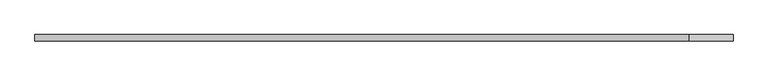
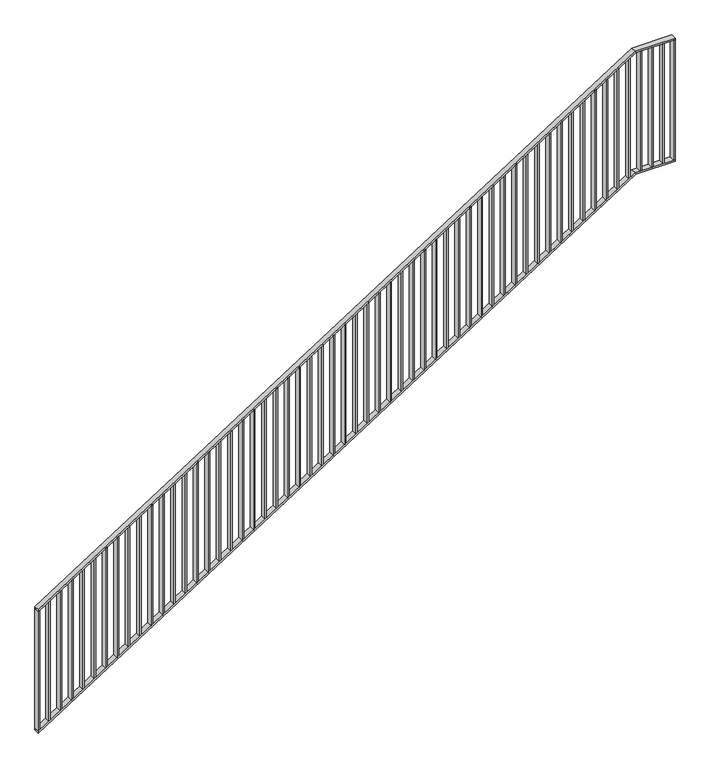
"""IFC4 building model written with IfcOpenShell, lengths in millimetres: railing geometry."""

from ifc_helpers import new_model, si_unit, frame, origin, place, context, project, spatial, polyline, outline, extrude, faceted_brep, source, transform, mapped, element, save


def railing_9af7ceb9(model_context):
    return source(origin(), model_context, "Body", "SolidModel", [
        faceted_brep([(30020.0, 1014.6, 1178.125), (30020.0, 1014.6, 1166.2576574), (30020.0, 974.6, 1166.2576574), (30020.0, 974.6, 1178.125), (34201.25, 1014.6, 3850.0), (34204.1722273, 1014.6, 3840.0), (34204.1722273, 974.6, 3840.0), (34201.25, 974.6, 3850.0), (34480.0, 1014.6, 3850.0), (34480.0, 974.6, 3850.0), (34480.0, 974.6, 3840.0), (34480.0, 1014.6, 3840.0)], [[[0, 1, 2, 3]], [[1, 0, 4, 5]], [[2, 1, 5, 6]], [[3, 2, 6, 7]], [[0, 3, 7, 4]], [[8, 9, 10, 11]], [[5, 4, 8, 11]], [[6, 5, 11, 10]], [[7, 6, 10, 9]], [[4, 7, 9, 8]]]),
        faceted_brep([(30020.0, 1014.6, 278.125), (30020.0, 1014.6, 266.2576574), (30020.0, 974.6, 266.2576574), (30020.0, 974.6, 278.125), (34201.25, 1014.6, 2950.0), (34204.1722273, 1014.6, 2940.0), (34204.1722273, 974.6, 2940.0), (34201.25, 974.6, 2950.0), (34480.0, 1014.6, 2950.0), (34480.0, 974.6, 2950.0), (34480.0, 974.6, 2940.0), (34480.0, 1014.6, 2940.0)], [[[0, 1, 2, 3]], [[1, 0, 4, 5]], [[2, 1, 5, 6]], [[3, 2, 6, 7]], [[0, 3, 7, 4]], [[8, 9, 10, 11]], [[5, 4, 8, 11]], [[6, 5, 11, 10]], [[7, 6, 10, 9]], [[4, 7, 9, 8]]]),
        extrude(outline(polyline([(34395.3571429, 1014.6), (34405.3571429, 1014.6), (34405.3571429, 974.6), (34395.3571429, 974.6), (34395.3571429, 1014.6)])), frame((0.0, 0.0, 2950.0), z_axis=(0.0, 0.0, 1.0), x_axis=(1.0, 0.0, 0.0)), (0.0, 0.0, 1.0), 890.0),
        extrude(outline(polyline([(34315.7142857, 1014.6), (34325.7142857, 1014.6), (34325.7142857, 974.6), (34315.7142857, 974.6), (34315.7142857, 1014.6)])), frame((0.0, 0.0, 2950.0), z_axis=(0.0, 0.0, 1.0), x_axis=(1.0, 0.0, 0.0)), (0.0, 0.0, 1.0), 890.0),
        extrude(outline(polyline([(34236.0714286, 1014.6), (34246.0714286, 1014.6), (34246.0714286, 974.6), (34236.0714286, 974.6), (34236.0714286, 1014.6)])), frame((0.0, 0.0, 2950.0), z_axis=(0.0, 0.0, 1.0), x_axis=(1.0, 0.0, 0.0)), (0.0, 0.0, 1.0), 890.0),
        extrude(outline(polyline([(2921.3585042, 34156.4285714), (2927.7486387, 34166.4285714), (3817.7486387, 34166.4285714), (3811.3585042, 34156.4285714), (2921.3585042, 34156.4285714)])), frame((0.0, 974.6, 0.0), z_axis=(0.0, 1.0, 0.0), x_axis=(0.0, 0.0, 1.0)), (0.0, 0.0, 1.0), 40.0),
        extrude(outline(polyline([(2870.465647, 34076.7857143), (2876.8557816, 34086.7857143), (3766.8557816, 34086.7857143), (3760.465647, 34076.7857143), (2870.465647, 34076.7857143)])), frame((0.0, 974.6, 0.0), z_axis=(0.0, 1.0, 0.0), x_axis=(0.0, 0.0, 1.0)), (0.0, 0.0, 1.0), 40.0),
        extrude(outline(polyline([(2819.5727899, 33997.1428571), (2825.9629244, 34007.1428571), (3715.9629244, 34007.1428571), (3709.5727899, 33997.1428571), (2819.5727899, 33997.1428571)])), frame((0.0, 974.6, 0.0), z_axis=(0.0, 1.0, 0.0), x_axis=(0.0, 0.0, 1.0)), (0.0, 0.0, 1.0), 40.0),
        extrude(outline(polyline([(2768.6799327, 33917.5), (2775.0700673, 33927.5), (3665.0700673, 33927.5), (3658.6799327, 33917.5), (2768.6799327, 33917.5)])), frame((0.0, 974.6, 0.0), z_axis=(0.0, 1.0, 0.0), x_axis=(0.0, 0.0, 1.0)), (0.0, 0.0, 1.0), 40.0),
        extrude(outline(polyline([(2717.7870756, 33837.8571429), (2724.1772101, 33847.8571429), (3614.1772101, 33847.8571429), (3607.7870756, 33837.8571429), (2717.7870756, 33837.8571429)])), frame((0.0, 974.6, 0.0), z_axis=(0.0, 1.0, 0.0), x_axis=(0.0, 0.0, 1.0)), (0.0, 0.0, 1.0), 40.0),
        extrude(outline(polyline([(2666.8942184, 33758.2142857), (2673.284353, 33768.2142857), (3563.284353, 33768.2142857), (3556.8942184, 33758.2142857), (2666.8942184, 33758.2142857)])), frame((0.0, 974.6, 0.0), z_axis=(0.0, 1.0, 0.0), x_axis=(0.0, 0.0, 1.0)), (0.0, 0.0, 1.0), 40.0),
        extrude(outline(polyline([(2616.0013613, 33678.5714286), (2622.3914958, 33688.5714286), (3512.3914958, 33688.5714286), (3506.0013613, 33678.5714286), (2616.0013613, 33678.5714286)])), frame((0.0, 974.6, 0.0), z_axis=(0.0, 1.0, 0.0), x_axis=(0.0, 0.0, 1.0)), (0.0, 0.0, 1.0), 40.0),
        extrude(outline(polyline([(2565.1085042, 33598.9285714), (2571.4986387, 33608.9285714), (3461.4986387, 33608.9285714), (3455.1085042, 33598.9285714), (2565.1085042, 33598.9285714)])), frame((0.0, 974.6, 0.0), z_axis=(0.0, 1.0, 0.0), x_axis=(0.0, 0.0, 1.0)), (0.0, 0.0, 1.0), 40.0),
        extrude(outline(polyline([(2514.215647, 33519.2857143), (2520.6057816, 33529.2857143), (3410.6057816, 33529.2857143), (3404.215647, 33519.2857143), (2514.215647, 33519.2857143)])), frame((0.0, 974.6, 0.0), z_axis=(0.0, 1.0, 0.0), x_axis=(0.0, 0.0, 1.0)), (0.0, 0.0, 1.0), 40.0),
        extrude(outline(polyline([(2463.3227899, 33439.6428571), (2469.7129244, 33449.6428571), (3359.7129244, 33449.6428571), (3353.3227899, 33439.6428571), (2463.3227899, 33439.6428571)])), frame((0.0, 974.6, 0.0), z_axis=(0.0, 1.0, 0.0), x_axis=(0.0, 0.0, 1.0)), (0.0, 0.0, 1.0), 40.0),
        extrude(outline(polyline([(2412.4299327, 33360.0), (2418.8200673, 33370.0), (3308.8200673, 33370.0), (3302.4299327, 33360.0), (2412.4299327, 33360.0)])), frame((0.0, 974.6, 0.0), z_axis=(0.0, 1.0, 0.0), x_axis=(0.0, 0.0, 1.0)), (0.0, 0.0, 1.0), 40.0),
        extrude(outline(polyline([(2361.5370756, 33280.3571429), (2367.9272101, 33290.3571429), (3257.9272101, 33290.3571429), (3251.5370756, 33280.3571429), (2361.5370756, 33280.3571429)])), frame((0.0, 974.6, 0.0), z_axis=(0.0, 1.0, 0.0), x_axis=(0.0, 0.0, 1.0)), (0.0, 0.0, 1.0), 40.0),
        extrude(outline(polyline([(2310.6442184, 33200.7142857), (2317.034353, 33210.7142857), (3207.034353, 33210.7142857), (3200.6442184, 33200.7142857), (2310.6442184, 33200.7142857)])), frame((0.0, 974.6, 0.0), z_axis=(0.0, 1.0, 0.0), x_axis=(0.0, 0.0, 1.0)), (0.0, 0.0, 1.0), 40.0),
        extrude(outline(polyline([(2259.7513613, 33121.0714286), (2266.1414958, 33131.0714286), (3156.1414958, 33131.0714286), (3149.7513613, 33121.0714286), (2259.7513613, 33121.0714286)])), frame((0.0, 974.6, 0.0), z_axis=(0.0, 1.0, 0.0), x_axis=(0.0, 0.0, 1.0)), (0.0, 0.0, 1.0), 40.0),
        extrude(outline(polyline([(2208.8585042, 33041.4285714), (2215.2486387, 33051.4285714), (3105.2486387, 33051.4285714), (3098.8585042, 33041.4285714), (2208.8585042, 33041.4285714)])), frame((0.0, 974.6, 0.0), z_axis=(0.0, 1.0, 0.0), x_axis=(0.0, 0.0, 1.0)), (0.0, 0.0, 1.0), 40.0),
        extrude(outline(polyline([(2157.965647, 32961.7857143), (2164.3557816, 32971.7857143), (3054.3557816, 32971.7857143), (3047.965647, 32961.7857143), (2157.965647, 32961.7857143)])), frame((0.0, 974.6, 0.0), z_axis=(0.0, 1.0, 0.0), x_axis=(0.0, 0.0, 1.0)), (0.0, 0.0, 1.0), 40.0),
        extrude(outline(polyline([(2107.0727899, 32882.1428571), (2113.4629244, 32892.1428571), (3003.4629244, 32892.1428571), (2997.0727899, 32882.1428571), (2107.0727899, 32882.1428571)])), frame((0.0, 974.6, 0.0), z_axis=(0.0, 1.0, 0.0), x_axis=(0.0, 0.0, 1.0)), (0.0, 0.0, 1.0), 40.0),
        extrude(outline(polyline([(2056.1799327, 32802.5), (2062.5700673, 32812.5), (2952.5700673, 32812.5), (2946.1799327, 32802.5), (2056.1799327, 32802.5)])), frame((0.0, 974.6, 0.0), z_axis=(0.0, 1.0, 0.0), x_axis=(0.0, 0.0, 1.0)), (0.0, 0.0, 1.0), 40.0),
        extrude(outline(polyline([(2005.2870756, 32722.8571429), (2011.6772101, 32732.8571429), (2901.6772101, 32732.8571429), (2895.2870756, 32722.8571429), (2005.2870756, 32722.8571429)])), frame((0.0, 974.6, 0.0), z_axis=(0.0, 1.0, 0.0), x_axis=(0.0, 0.0, 1.0)), (0.0, 0.0, 1.0), 40.0),
        extrude(outline(polyline([(1954.3942184, 32643.2142857), (1960.784353, 32653.2142857), (2850.784353, 32653.2142857), (2844.3942184, 32643.2142857), (1954.3942184, 32643.2142857)])), frame((0.0, 974.6, 0.0), z_axis=(0.0, 1.0, 0.0), x_axis=(0.0, 0.0, 1.0)), (0.0, 0.0, 1.0), 40.0),
        extrude(outline(polyline([(1903.5013613, 32563.5714286), (1909.8914958, 32573.5714286), (2799.8914958, 32573.5714286), (2793.5013613, 32563.5714286), (1903.5013613, 32563.5714286)])), frame((0.0, 974.6, 0.0), z_axis=(0.0, 1.0, 0.0), x_axis=(0.0, 0.0, 1.0)), (0.0, 0.0, 1.0), 40.0),
        extrude(outline(polyline([(1852.6085042, 32483.9285714), (1858.9986387, 32493.9285714), (2748.9986387, 32493.9285714), (2742.6085042, 32483.9285714), (1852.6085042, 32483.9285714)])), frame((0.0, 974.6, 0.0), z_axis=(0.0, 1.0, 0.0), x_axis=(0.0, 0.0, 1.0)), (0.0, 0.0, 1.0), 40.0),
        extrude(outline(polyline([(1801.715647, 32404.2857143), (1808.1057816, 32414.2857143), (2698.1057816, 32414.2857143), (2691.715647, 32404.2857143), (1801.715647, 32404.2857143)])), frame((0.0, 974.6, 0.0), z_axis=(0.0, 1.0, 0.0), x_axis=(0.0, 0.0, 1.0)), (0.0, 0.0, 1.0), 40.0),
        extrude(outline(polyline([(1750.8227899, 32324.6428571), (1757.2129244, 32334.6428571), (2647.2129244, 32334.6428571), (2640.8227899, 32324.6428571), (1750.8227899, 32324.6428571)])), frame((0.0, 974.6, 0.0), z_axis=(0.0, 1.0, 0.0), x_axis=(0.0, 0.0, 1.0)), (0.0, 0.0, 1.0), 40.0),
        extrude(outline(polyline([(1699.9299327, 32245.0), (1706.3200673, 32255.0), (2596.3200673, 32255.0), (2589.9299327, 32245.0), (1699.9299327, 32245.0)])), frame((0.0, 974.6, 0.0), z_axis=(0.0, 1.0, 0.0), x_axis=(0.0, 0.0, 1.0)), (0.0, 0.0, 1.0), 40.0),
        extrude(outline(polyline([(1649.0370756, 32165.3571429), (1655.4272101, 32175.3571429), (2545.4272101, 32175.3571429), (2539.0370756, 32165.3571429), (1649.0370756, 32165.3571429)])), frame((0.0, 974.6, 0.0), z_axis=(0.0, 1.0, 0.0), x_axis=(0.0, 0.0, 1.0)), (0.0, 0.0, 1.0), 40.0),
        extrude(outline(polyline([(1598.1442184, 32085.7142857), (1604.534353, 32095.7142857), (2494.534353, 32095.7142857), (2488.1442184, 32085.7142857), (1598.1442184, 32085.7142857)])), frame((0.0, 974.6, 0.0), z_axis=(0.0, 1.0, 0.0), x_axis=(0.0, 0.0, 1.0)), (0.0, 0.0, 1.0), 40.0),
        extrude(outline(polyline([(1547.2513613, 32006.0714286), (1553.6414958, 32016.0714286), (2443.6414958, 32016.0714286), (2437.2513613, 32006.0714286), (1547.2513613, 32006.0714286)])), frame((0.0, 974.6, 0.0), z_axis=(0.0, 1.0, 0.0), x_axis=(0.0, 0.0, 1.0)), (0.0, 0.0, 1.0), 40.0),
        extrude(outline(polyline([(1496.3585042, 31926.4285714), (1502.7486387, 31936.4285714), (2392.7486387, 31936.4285714), (2386.3585042, 31926.4285714), (1496.3585042, 31926.4285714)])), frame((0.0, 974.6, 0.0), z_axis=(0.0, 1.0, 0.0), x_axis=(0.0, 0.0, 1.0)), (0.0, 0.0, 1.0), 40.0),
        extrude(outline(polyline([(1445.465647, 31846.7857143), (1451.8557816, 31856.7857143), (2341.8557816, 31856.7857143), (2335.465647, 31846.7857143), (1445.465647, 31846.7857143)])), frame((0.0, 974.6, 0.0), z_axis=(0.0, 1.0, 0.0), x_axis=(0.0, 0.0, 1.0)), (0.0, 0.0, 1.0), 40.0),
        extrude(outline(polyline([(1394.5727899, 31767.1428571), (1400.9629244, 31777.1428571), (2290.9629244, 31777.1428571), (2284.5727899, 31767.1428571), (1394.5727899, 31767.1428571)])), frame((0.0, 974.6, 0.0), z_axis=(0.0, 1.0, 0.0), x_axis=(0.0, 0.0, 1.0)), (0.0, 0.0, 1.0), 40.0),
        extrude(outline(polyline([(1343.6799327, 31687.5), (1350.0700673, 31697.5), (2240.0700673, 31697.5), (2233.6799327, 31687.5), (1343.6799327, 31687.5)])), frame((0.0, 974.6, 0.0), z_axis=(0.0, 1.0, 0.0), x_axis=(0.0, 0.0, 1.0)), (0.0, 0.0, 1.0), 40.0),
        extrude(outline(polyline([(1292.7870756, 31607.8571429), (1299.1772101, 31617.8571429), (2189.1772101, 31617.8571429), (2182.7870756, 31607.8571429), (1292.7870756, 31607.8571429)])), frame((0.0, 974.6, 0.0), z_axis=(0.0, 1.0, 0.0), x_axis=(0.0, 0.0, 1.0)), (0.0, 0.0, 1.0), 40.0),
        extrude(outline(polyline([(1241.8942184, 31528.2142857), (1248.284353, 31538.2142857), (2138.284353, 31538.2142857), (2131.8942184, 31528.2142857), (1241.8942184, 31528.2142857)])), frame((0.0, 974.6, 0.0), z_axis=(0.0, 1.0, 0.0), x_axis=(0.0, 0.0, 1.0)), (0.0, 0.0, 1.0), 40.0),
        extrude(outline(polyline([(1191.0013613, 31448.5714286), (1197.3914958, 31458.5714286), (2087.3914958, 31458.5714286), (2081.0013613, 31448.5714286), (1191.0013613, 31448.5714286)])), frame((0.0, 974.6, 0.0), z_axis=(0.0, 1.0, 0.0), x_axis=(0.0, 0.0, 1.0)), (0.0, 0.0, 1.0), 40.0),
        extrude(outline(polyline([(1140.1085042, 31368.9285714), (1146.4986387, 31378.9285714), (2036.4986387, 31378.9285714), (2030.1085042, 31368.9285714), (1140.1085042, 31368.9285714)])), frame((0.0, 974.6, 0.0), z_axis=(0.0, 1.0, 0.0), x_axis=(0.0, 0.0, 1.0)), (0.0, 0.0, 1.0), 40.0),
        extrude(outline(polyline([(1089.215647, 31289.2857143), (1095.6057816, 31299.2857143), (1985.6057816, 31299.2857143), (1979.215647, 31289.2857143), (1089.215647, 31289.2857143)])), frame((0.0, 974.6, 0.0), z_axis=(0.0, 1.0, 0.0), x_axis=(0.0, 0.0, 1.0)), (0.0, 0.0, 1.0), 40.0),
        extrude(outline(polyline([(1038.3227899, 31209.6428571), (1044.7129244, 31219.6428571), (1934.7129244, 31219.6428571), (1928.3227899, 31209.6428571), (1038.3227899, 31209.6428571)])), frame((0.0, 974.6, 0.0), z_axis=(0.0, 1.0, 0.0), x_axis=(0.0, 0.0, 1.0)), (0.0, 0.0, 1.0), 40.0),
        extrude(outline(polyline([(987.4299327, 31130.0), (993.8200673, 31140.0), (1883.8200673, 31140.0), (1877.4299327, 31130.0), (987.4299327, 31130.0)])), frame((0.0, 974.6, 0.0), z_axis=(0.0, 1.0, 0.0), x_axis=(0.0, 0.0, 1.0)), (0.0, 0.0, 1.0), 40.0),
        extrude(outline(polyline([(936.5370756, 31050.3571429), (942.9272101, 31060.3571429), (1832.9272101, 31060.3571429), (1826.5370756, 31050.3571429), (936.5370756, 31050.3571429)])), frame((0.0, 974.6, 0.0), z_axis=(0.0, 1.0, 0.0), x_axis=(0.0, 0.0, 1.0)), (0.0, 0.0, 1.0), 40.0),
        extrude(outline(polyline([(885.6442184, 30970.7142857), (892.034353, 30980.7142857), (1782.034353, 30980.7142857), (1775.6442184, 30970.7142857), (885.6442184, 30970.7142857)])), frame((0.0, 974.6, 0.0), z_axis=(0.0, 1.0, 0.0), x_axis=(0.0, 0.0, 1.0)), (0.0, 0.0, 1.0), 40.0),
        extrude(outline(polyline([(834.7513613, 30891.0714286), (841.1414958, 30901.0714286), (1731.1414958, 30901.0714286), (1724.7513613, 30891.0714286), (834.7513613, 30891.0714286)])), frame((0.0, 974.6, 0.0), z_axis=(0.0, 1.0, 0.0), x_axis=(0.0, 0.0, 1.0)), (0.0, 0.0, 1.0), 40.0),
        extrude(outline(polyline([(783.8585042, 30811.4285714), (790.2486387, 30821.4285714), (1680.2486387, 30821.4285714), (1673.8585042, 30811.4285714), (783.8585042, 30811.4285714)])), frame((0.0, 974.6, 0.0), z_axis=(0.0, 1.0, 0.0), x_axis=(0.0, 0.0, 1.0)), (0.0, 0.0, 1.0), 40.0),
        extrude(outline(polyline([(732.965647, 30731.7857143), (739.3557816, 30741.7857143), (1629.3557816, 30741.7857143), (1622.965647, 30731.7857143), (732.965647, 30731.7857143)])), frame((0.0, 974.6, 0.0), z_axis=(0.0, 1.0, 0.0), x_axis=(0.0, 0.0, 1.0)), (0.0, 0.0, 1.0), 40.0),
        extrude(outline(polyline([(682.0727899, 30652.1428571), (688.4629244, 30662.1428571), (1578.4629244, 30662.1428571), (1572.0727899, 30652.1428571), (682.0727899, 30652.1428571)])), frame((0.0, 974.6, 0.0), z_axis=(0.0, 1.0, 0.0), x_axis=(0.0, 0.0, 1.0)), (0.0, 0.0, 1.0), 40.0),
        extrude(outline(polyline([(631.1799327, 30572.5), (637.5700673, 30582.5), (1527.5700673, 30582.5), (1521.1799327, 30572.5), (631.1799327, 30572.5)])), frame((0.0, 974.6, 0.0), z_axis=(0.0, 1.0, 0.0), x_axis=(0.0, 0.0, 1.0)), (0.0, 0.0, 1.0), 40.0),
        extrude(outline(polyline([(580.2870756, 30492.8571429), (586.6772101, 30502.8571429), (1476.6772101, 30502.8571429), (1470.2870756, 30492.8571429), (580.2870756, 30492.8571429)])), frame((0.0, 974.6, 0.0), z_axis=(0.0, 1.0, 0.0), x_axis=(0.0, 0.0, 1.0)), (0.0, 0.0, 1.0), 40.0),
        extrude(outline(polyline([(529.3942184, 30413.2142857), (535.784353, 30423.2142857), (1425.784353, 30423.2142857), (1419.3942184, 30413.2142857), (529.3942184, 30413.2142857)])), frame((0.0, 974.6, 0.0), z_axis=(0.0, 1.0, 0.0), x_axis=(0.0, 0.0, 1.0)), (0.0, 0.0, 1.0), 40.0),
        extrude(outline(polyline([(478.5013613, 30333.5714286), (484.8914958, 30343.5714286), (1374.8914958, 30343.5714286), (1368.5013613, 30333.5714286), (478.5013613, 30333.5714286)])), frame((0.0, 974.6, 0.0), z_axis=(0.0, 1.0, 0.0), x_axis=(0.0, 0.0, 1.0)), (0.0, 0.0, 1.0), 40.0),
        extrude(outline(polyline([(427.6085042, 30253.9285714), (433.9986387, 30263.9285714), (1323.9986387, 30263.9285714), (1317.6085042, 30253.9285714), (427.6085042, 30253.9285714)])), frame((0.0, 974.6, 0.0), z_axis=(0.0, 1.0, 0.0), x_axis=(0.0, 0.0, 1.0)), (0.0, 0.0, 1.0), 40.0),
        extrude(outline(polyline([(376.715647, 30174.2857143), (383.1057816, 30184.2857143), (1273.1057816, 30184.2857143), (1266.715647, 30174.2857143), (376.715647, 30174.2857143)])), frame((0.0, 974.6, 0.0), z_axis=(0.0, 1.0, 0.0), x_axis=(0.0, 0.0, 1.0)), (0.0, 0.0, 1.0), 40.0),
        extrude(outline(polyline([(325.8227899, 30094.6428571), (332.2129244, 30104.6428571), (1222.2129244, 30104.6428571), (1215.8227899, 30094.6428571), (325.8227899, 30094.6428571)])), frame((0.0, 974.6, 0.0), z_axis=(0.0, 1.0, 0.0), x_axis=(0.0, 0.0, 1.0)), (0.0, 0.0, 1.0), 40.0),
        extrude(outline(polyline([(34470.0, 1014.6), (34480.0, 1014.6), (34480.0, 974.6), (34470.0, 974.6), (34470.0, 1014.6)])), frame((0.0, 0.0, 2950.0), z_axis=(0.0, 0.0, 1.0), x_axis=(1.0, 0.0, 0.0)), (0.0, 0.0, 1.0), 890.0),
        extrude(outline(polyline([(278.125, 30020.0), (284.5151345, 30030.0), (1174.5151345, 30030.0), (1168.125, 30020.0), (278.125, 30020.0)])), frame((0.0, 974.6, 0.0), z_axis=(0.0, 1.0, 0.0), x_axis=(0.0, 0.0, 1.0)), (0.0, 0.0, 1.0), 40.0),
    ])


if __name__ == "__main__":
    model = new_model("IFC4")
    model_context = context("Model", 3, world=origin())
    ifc_project = project(units=[si_unit("LENGTHUNIT", "METRE", prefix="MILLI")], contexts=[model_context])
    site = spatial("IfcSite", under=ifc_project)
    building = spatial("IfcBuilding", under=site)
    placement = place(None, origin())
    railing_shape = railing_9af7ceb9(model_context)
    element("IfcRailing", 1, at=placement, inside=building, context=model_context, shape_type="MappedRepresentation", body=[
        mapped(railing_shape, transform((0.0, 0.0, 0.0), x_axis=(1.0, 0.0, 0.0), y_axis=(0.0, 1.0, 0.0), z_axis=(0.0, 0.0, 1.0))),
    ])
    save(model, "model.ifc")
